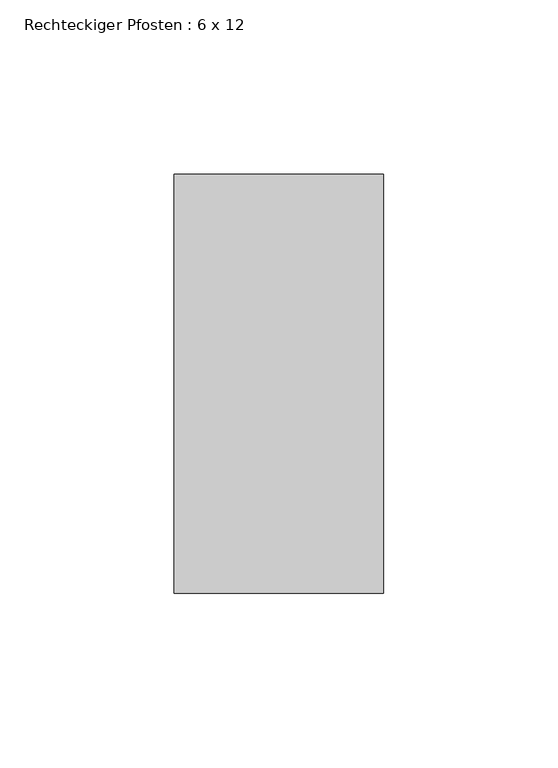
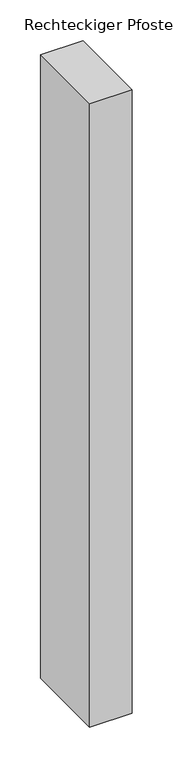
"""IFC4 building model written with IfcOpenShell, lengths in millimetres: member geometry, Rechteckiger Pfosten : 6 x 12."""

from ifc_helpers import new_model, si_unit, frame, origin, place, context, project, spatial, polyline, outline, extrude, source, transform, mapped, element, save


def rechteckiger_pfosten_6_x_12_ece0c2ce(model_context):
    return source(origin(), model_context, "Body", "SweptSolid", [
        extrude(outline(polyline([(0.0, 60.0), (0.0, -60.0), (-60.0, -60.0), (-60.0, 60.0), (0.0, 60.0)])), frame((0.0, 0.0, -930.4166667), z_axis=(0.0, 0.0, 1.0), x_axis=(1.0, 0.0, 0.0)), (0.0, 0.0, 1.0), 930.4166667),
    ])


if __name__ == "__main__":
    model = new_model("IFC4")
    model_context = context("Model", 3, world=origin())
    ifc_project = project(units=[si_unit("LENGTHUNIT", "METRE", prefix="MILLI")], contexts=[model_context])
    site = spatial("IfcSite", under=ifc_project)
    building = spatial("IfcBuilding", under=site)
    placement = place(None, origin())
    rechteckiger_pfosten_6_x_12_shape = rechteckiger_pfosten_6_x_12_ece0c2ce(model_context)
    element("IfcMember", 1, ObjectType="Rechteckiger Pfosten : 6 x 12", at=placement, inside=building, context=model_context, shape_type="MappedRepresentation", body=[
        mapped(rechteckiger_pfosten_6_x_12_shape, transform((0.0, 0.0, 0.0), x_axis=(1.0, 0.0, 0.0), y_axis=(0.0, 1.0, 0.0), z_axis=(0.0, 0.0, 1.0))),
    ])
    save(model, "model.ifc")
